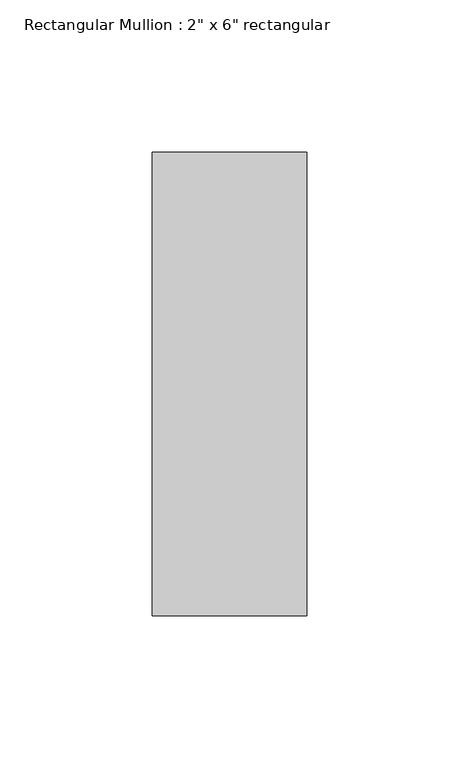
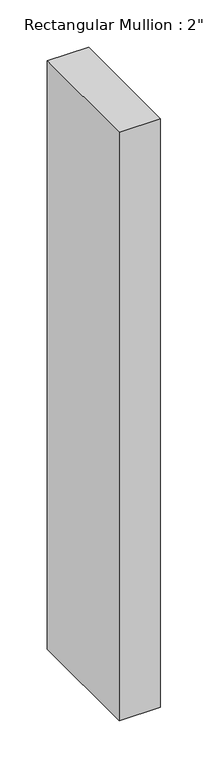
"""IFC4 building model written with IfcOpenShell, lengths in millimetres: member geometry."""

from ifc_helpers import new_model, si_unit, frame, origin, place, context, project, spatial, polyline, outline, extrude, source, transform, mapped, element, save


def member_3e46f582(model_context):
    return source(origin(), model_context, "Body", "SweptSolid", [
        extrude(outline(polyline([(0.0, 76.2), (0.0, -76.2), (-50.8, -76.2), (-50.8, 76.2), (0.0, 76.2)])), frame((0.0, 0.0, -762.0), z_axis=(0.0, 0.0, 1.0), x_axis=(1.0, 0.0, 0.0)), (0.0, 0.0, 1.0), 762.0),
    ])


if __name__ == "__main__":
    model = new_model("IFC4")
    model_context = context("Model", 3, world=origin())
    ifc_project = project(units=[si_unit("LENGTHUNIT", "METRE", prefix="MILLI")], contexts=[model_context])
    site = spatial("IfcSite", under=ifc_project)
    building = spatial("IfcBuilding", under=site)
    placement = place(None, origin())
    member_shape = member_3e46f582(model_context)
    element("IfcMember", 1, ObjectType="Rectangular Mullion : 2\" x 6\" rectangular", at=placement, inside=building, context=model_context, shape_type="MappedRepresentation", body=[
        mapped(member_shape, transform((0.0, 0.0, 0.0), x_axis=(1.0, 0.0, 0.0), y_axis=(0.0, 1.0, 0.0), z_axis=(0.0, 0.0, 1.0))),
    ])
    save(model, "model.ifc")
